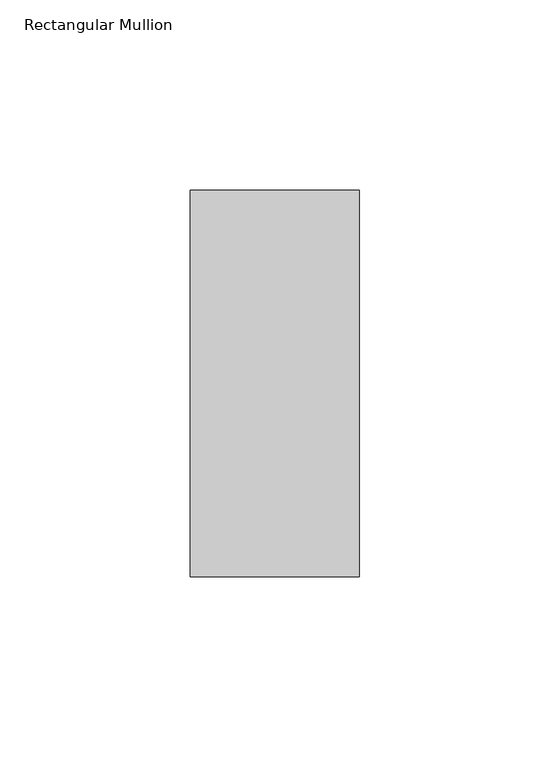
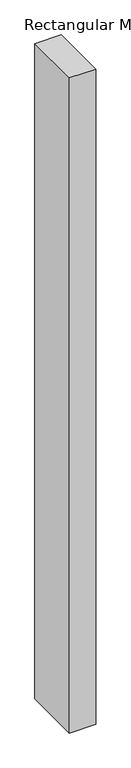
"""IFC4 building model written with IfcOpenShell, lengths in millimetres: member geometry, Rectangular Mullion."""

from ifc_helpers import new_model, si_unit, frame, origin, place, context, project, spatial, polyline, outline, extrude, source, transform, mapped, element, save


def rectangular_mullion_ae2de7cb(model_context):
    return source(origin(), model_context, "Body", "SweptSolid", [
        extrude(outline(polyline([(0.0, 50.8), (0.0, -50.8), (-44.44619, -50.8), (-44.44619, 50.8), (0.0, 50.8)])), frame((0.0, 0.0, -1174.75381), z_axis=(0.0, 0.0, 1.0), x_axis=(1.0, 0.0, 0.0)), (0.0, 0.0, 1.0), 1174.75381),
    ])


if __name__ == "__main__":
    model = new_model("IFC4")
    model_context = context("Model", 3, world=origin())
    ifc_project = project(units=[si_unit("LENGTHUNIT", "METRE", prefix="MILLI")], contexts=[model_context])
    site = spatial("IfcSite", under=ifc_project)
    building = spatial("IfcBuilding", under=site)
    placement = place(None, origin())
    rectangular_mullion_shape = rectangular_mullion_ae2de7cb(model_context)
    element("IfcMember", 1, ObjectType="Rectangular Mullion", at=placement, inside=building, context=model_context, shape_type="MappedRepresentation", body=[
        mapped(rectangular_mullion_shape, transform((0.0, 0.0, 0.0), x_axis=(1.0, 0.0, 0.0), y_axis=(0.0, 1.0, 0.0), z_axis=(0.0, 0.0, 1.0))),
    ])
    save(model, "model.ifc")
